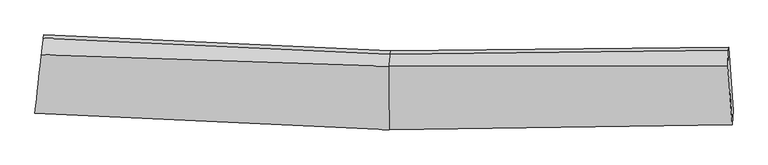
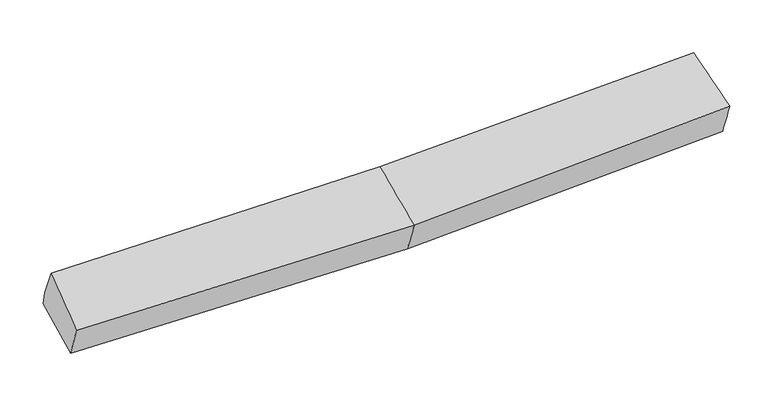
"""IFC4 building model written with IfcOpenShell, lengths in millimetres: proxy geometry."""

from ifc_helpers import new_model, si_unit, frame, origin, place, context, project, spatial, source, transform, mapped, element, save
from ifc_brep_helpers import plane_surface, spline_surface, advanced_brep


def generic_models_106f2c5f(model_context):
    return source(origin(), model_context, "Body", "AdvancedBrep", [
        advanced_brep(
        [(-3694.0744674, -1977.3218526, 2012.6714398), (-3675.0918326, -1828.3130735, 1641.2081833), (31.319301, -2000.4936264, 1695.1314156), (19.4012126, -2149.9212897, 2066.720221), (-3599.9015981, -1155.585801, 1793.9956041), (30.7659061, -1323.2752217, 1846.5727459), (-3604.7264624, -1190.3579553, 1949.472796), (25.9410418, -1358.0473759, 2002.0499378), (-3626.1525606, -1362.3084706, 2294.7089453), (14.2761642, -1484.237948, 2369.678933), (3575.993028, -1316.2296708, 2106.1921791), (3568.8909429, -1479.4733104, 2479.4494612), (3615.7958816, -2097.7345827, 2200.2489493), (3624.2191366, -1944.0468839, 1809.0009613), (3580.6665393, -1282.5482972, 1955.5922087)],
        [
            (0, 1),
            (1, 2),
            (2, 3),
            (3, 0),
            (1, 4),
            (4, 5),
            (5, 1),
            (4, 6),
            (6, 7),
            (7, 5),
            (6, 8),
            (8, 9),
            (9, 7),
            (8, 0),
            (3, 9),
            (10, 11),
            (11, 12),
            (12, 13),
            (13, 14),
            (14, 10),
            (5, 2),
            (9, 11),
            (10, 7),
            (3, 12),
            (2, 13),
            (5, 14),
        ],
        [
            spline_surface(1, 1, [[(-3694.0744674, -1977.3218526, 2012.6714398), (19.4012126, -2149.9212897, 2066.720221)], [(-3675.0918326, -1828.3130735, 1641.2081833), (31.319301, -2000.4936264, 1695.1314156)]], [2, 2], [2, 2], [0.0, 1.0], [0.0, 1.0]),
            plane_surface(frame((-3637.4967154, -1491.9494372, 1717.6018937), z_axis=(0.024233342999431008, 0.2188346792194037, -0.9754609824375409), x_axis=(0.10835187704120756, 0.9694245957530733, 0.22017225958471118))),
            plane_surface(frame((-3602.3140302, -1172.9718782, 1871.7342), z_axis=(0.041845359553225596, 0.9747593645172126, 0.21930149833017865), x_axis=(-0.03027059014514084, -0.21815611387776265, 0.9754443097122549))),
            spline_surface(1, 1, [[(-3604.7264624, -1190.3579553, 1949.472796), (25.9410418, -1358.0473759, 2002.0499378)], [(-3626.1525606, -1362.3084706, 2294.7089453), (14.2761642, -1484.237948, 2369.678933)]], [2, 2], [2, 2], [0.0, 1.0], [0.0, 1.0]),
            spline_surface(1, 1, [[(-3626.1525606, -1362.3084706, 2294.7089453), (14.2761642, -1484.237948, 2369.678933)], [(-3694.0744674, -1977.3218526, 2012.6714398), (19.4012126, -2149.9212897, 2066.720221)]], [2, 2], [2, 2], [0.0, 1.0], [0.0, 1.0]),
            plane_surface(frame((3593.1131057, -1624.006549, 2110.0967519), z_axis=(0.9974812247617375, 0.056036548143294646, 0.04348691205418835), x_axis=(-0.01743033627145214, -0.40064171237296364, 0.9160689939542347))),
            plane_surface(frame((-3639.9893842, -1502.7774306, 1938.4113937), z_axis=(-0.9936516301571278, 0.11235596613768692, -0.005707430187904559), x_axis=(0.09988515696589934, 0.904431444159929, 0.4147610375055533))),
            plane_surface(frame((-3675.0918326, -1828.3130735, 1641.2081833), z_axis=(0.024329531153617325, 0.21818689909413605, -0.9756036854058776), x_axis=(-0.0007974623322095503, 0.975896481543327, 0.218232493834405))),
            spline_surface(1, 1, [[(25.9410418, -1358.0473759, 2002.0499378), (3575.993028, -1316.2296708, 2106.1921791)], [(14.2761642, -1484.237948, 2369.678933), (3568.8909429, -1479.4733104, 2479.4494612)]], [2, 2], [2, 2], [0.0, 1.0], [0.0, 1.0]),
            spline_surface(1, 1, [[(14.2761642, -1484.237948, 2369.678933), (3568.8909429, -1479.4733104, 2479.4494612)], [(19.4012126, -2149.9212897, 2066.720221), (3615.7958816, -2097.7345827, 2200.2489493)]], [2, 2], [2, 2], [0.0, 1.0], [0.0, 1.0]),
            spline_surface(1, 1, [[(19.4012126, -2149.9212897, 2066.720221), (3615.7958816, -2097.7345827, 2200.2489493)], [(31.319301, -2000.4936264, 1695.1314156), (3624.2191366, -1944.0468839, 1809.0009613)]], [2, 2], [2, 2], [0.0, 1.0], [0.0, 1.0]),
            spline_surface(1, 1, [[(31.319301, -2000.4936264, 1695.1314156), (3624.2191366, -1944.0468839, 1809.0009613)], [(30.7659061, -1323.2752217, 1846.5727459), (3580.6665393, -1282.5482972, 1955.5922087)]], [2, 2], [2, 2], [0.0, 1.0], [0.0, 1.0]),
            plane_surface(frame((28.3534739, -1340.6612988, 1924.3113418), z_axis=(-0.017881136862203263, 0.9758535423620583, 0.2176927394378089), x_axis=(-0.030270590145088115, -0.21815611387777473, 0.9754443097122539))),
        ],
        [
            (0, [[1, 2, 3, 4]]),
            (1, [[5, 6, 7]]),
            (2, [[8, 9, 10, -6]]),
            (3, [[11, 12, 13, -9]]),
            (4, [[14, -4, 15, -12]]),
            (5, [[16, 17, 18, 19, 20]]),
            (6, [[-14, -11, -8, -5, -1]]),
            (7, [[21, -2, -7]]),
            (8, [[-13, 22, -16, 23]]),
            (9, [[-15, 24, -17, -22]]),
            (10, [[-3, 25, -18, -24]]),
            (11, [[-21, 26, -19, -25]]),
            (12, [[-10, -23, -20, -26]]),
        ],
    ),
    ])


if __name__ == "__main__":
    model = new_model("IFC4")
    model_context = context("Model", 3, world=origin())
    ifc_project = project(units=[si_unit("LENGTHUNIT", "METRE", prefix="MILLI")], contexts=[model_context])
    site = spatial("IfcSite", under=ifc_project)
    building = spatial("IfcBuilding", under=site)
    placement = place(None, origin())
    generic_models_shape = generic_models_106f2c5f(model_context)
    element("IfcBuildingElementProxy", 1, Name="Generic Models", at=placement, inside=building, context=model_context, shape_type="MappedRepresentation", body=[
        mapped(generic_models_shape, transform((0.0, 0.0, 0.0), x_axis=(1.0, 0.0, 0.0), y_axis=(0.0, 1.0, 0.0), z_axis=(0.0, 0.0, 1.0))),
    ])
    save(model, "model.ifc")
